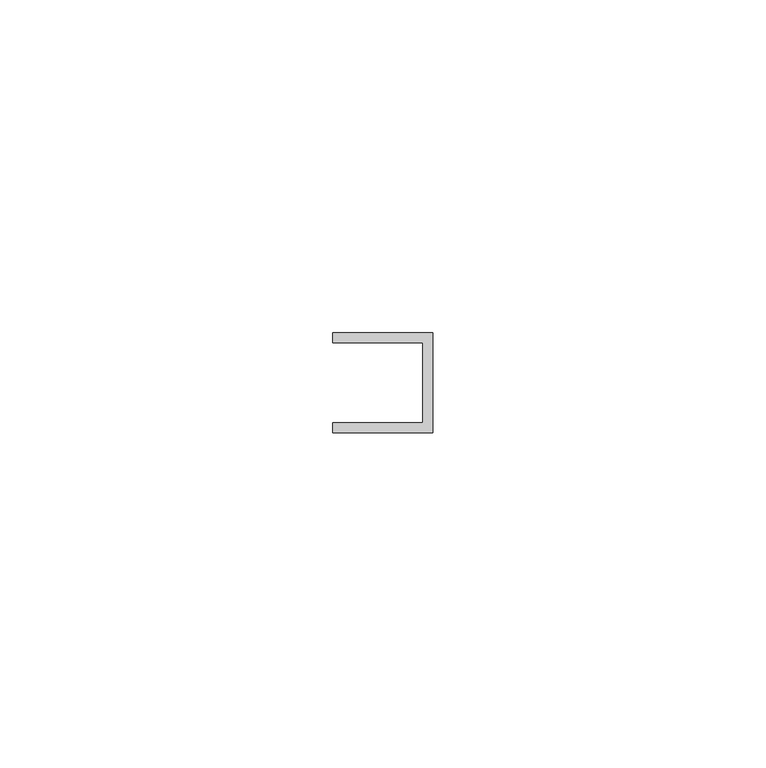
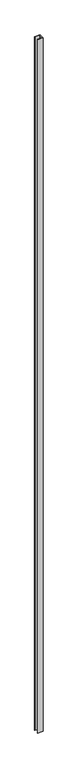
"""IFC4 building model written with IfcOpenShell, lengths in millimetres: member geometry."""

from ifc_helpers import new_model, si_unit, frame, origin, place, context, project, spatial, polyline, outline, extrude, source, transform, mapped, element, save


def member_080b6c4c(model_context):
    return source(origin(), model_context, "Body", "SweptSolid", [
        extrude(outline(polyline([(0.0, 7.5), (0.0, -7.5), (-15.0, -7.5), (-15.0, -6.0), (-1.5, -6.0), (-1.5, 6.0), (-15.0, 6.0), (-15.0, 7.5), (0.0, 7.5)])), frame((0.0, 0.0, -2082.0), z_axis=(0.0, 0.0, 1.0), x_axis=(1.0, 0.0, 0.0)), (0.0, 0.0, 1.0), 2082.0),
    ])


if __name__ == "__main__":
    model = new_model("IFC4")
    model_context = context("Model", 3, world=origin())
    ifc_project = project(units=[si_unit("LENGTHUNIT", "METRE", prefix="MILLI")], contexts=[model_context])
    site = spatial("IfcSite", under=ifc_project)
    building = spatial("IfcBuilding", under=site)
    placement = place(None, origin())
    member_shape = member_080b6c4c(model_context)
    element("IfcMember", 1, at=placement, inside=building, context=model_context, shape_type="MappedRepresentation", body=[
        mapped(member_shape, transform((0.0, 0.0, 0.0), x_axis=(1.0, 0.0, 0.0), y_axis=(0.0, 1.0, 0.0), z_axis=(0.0, 0.0, 1.0))),
    ])
    save(model, "model.ifc")
